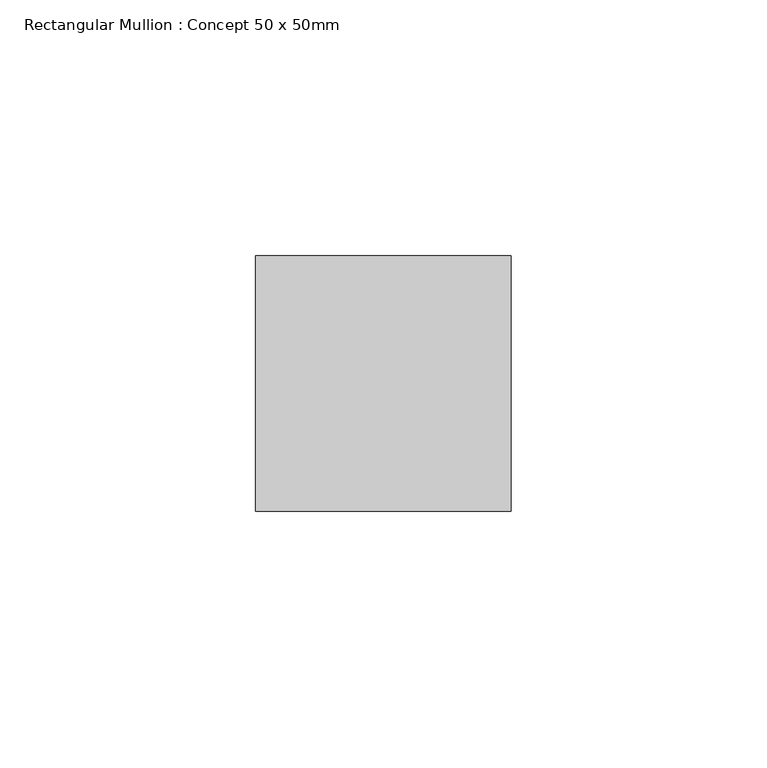
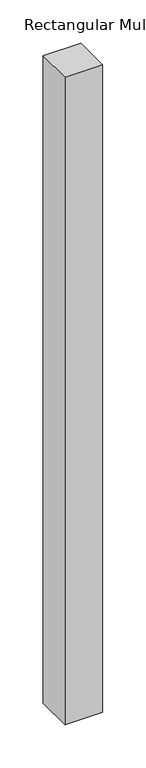
"""IFC4 building model written with IfcOpenShell, lengths in millimetres: member geometry, Rectangular Mullion : Concept 50 x 50mm."""

from ifc_helpers import new_model, si_unit, frame, origin, place, context, project, spatial, polyline, outline, extrude, source, transform, mapped, element, save


def rectangular_mullion_concept_50_x_50mm_04e93def(model_context):
    return source(origin(), model_context, "Body", "SweptSolid", [
        extrude(outline(polyline([(0.0, 50.0), (0.0, 0.0), (-50.0, 0.0), (-50.0, 50.0), (0.0, 50.0)])), frame((0.0, 0.0, -910.0), z_axis=(0.0, 0.0, 1.0), x_axis=(1.0, 0.0, 0.0)), (0.0, 0.0, 1.0), 910.0),
    ])


if __name__ == "__main__":
    model = new_model("IFC4")
    model_context = context("Model", 3, world=origin())
    ifc_project = project(units=[si_unit("LENGTHUNIT", "METRE", prefix="MILLI")], contexts=[model_context])
    site = spatial("IfcSite", under=ifc_project)
    building = spatial("IfcBuilding", under=site)
    placement = place(None, origin())
    rectangular_mullion_concept_50_x_50mm_shape = rectangular_mullion_concept_50_x_50mm_04e93def(model_context)
    element("IfcMember", 1, ObjectType="Rectangular Mullion : Concept 50 x 50mm", at=placement, inside=building, context=model_context, shape_type="MappedRepresentation", body=[
        mapped(rectangular_mullion_concept_50_x_50mm_shape, transform((0.0, 0.0, 0.0), x_axis=(1.0, 0.0, 0.0), y_axis=(0.0, 1.0, 0.0), z_axis=(0.0, 0.0, 1.0))),
    ])
    save(model, "model.ifc")
